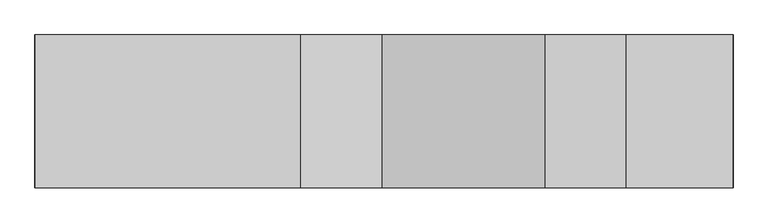
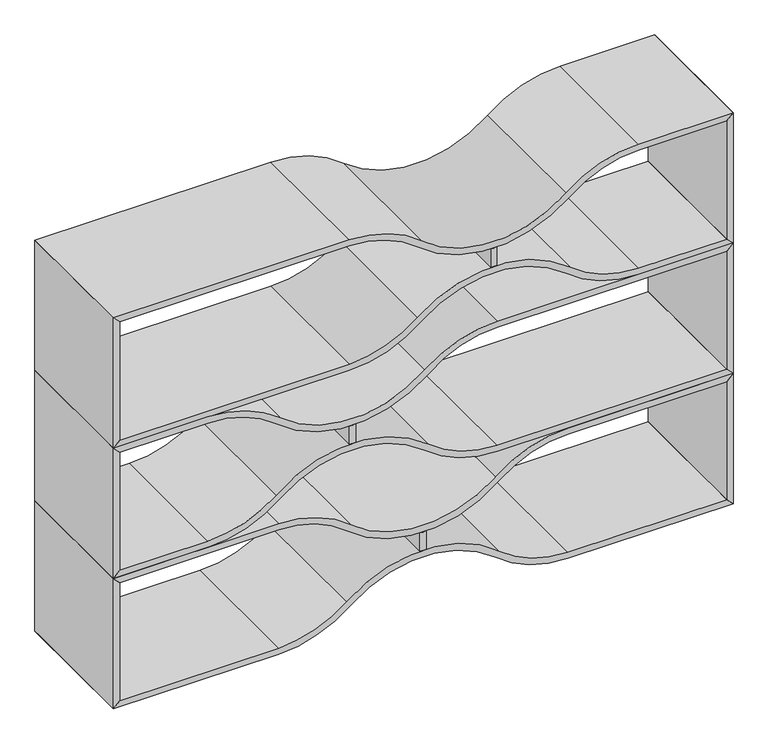
"""IFC4 building model written with IfcOpenShell, lengths in millimetres: furniture geometry."""

from ifc_helpers import new_model, si_unit, point, frame, frame_2d, origin, place, context, project, spatial, polyline, circle_curve, trimmed, segment, composite_curve, outline, extrude, source, transform, mapped, element, save


def furniture_85fba758(model_context):
    return source(origin(), model_context, "Body", "SweptSolid", [
        extrude(outline(composite_curve([segment(polyline([(174.4954536, 923.925), (231.9043041, 923.925)]), True, "CONTINUOUS"), segment(trimmed(circle_curve(frame_2d((294.3304283, 914.4)), 63.1486073), [point((231.9043041, 923.925))], [point((231.9043041, 904.875))], True, "CARTESIAN"), True, "CONTINUOUS"), segment(polyline([(231.9043041, 904.875), (174.4954536, 904.875)]), True, "CONTINUOUS"), segment(trimmed(circle_curve(frame_2d((112.0693295, 914.4)), 63.1486073), [point((174.4954536, 904.875))], [point((174.4954536, 923.925))], True, "CARTESIAN"), True, "CONTINUOUS")], self_intersect=False)), frame((0.0, -400.05, 0.0), z_axis=(0.0, 1.0, 0.0), x_axis=(0.0, 0.0, 1.0)), (0.0, 0.0, 1.0), 400.05),
        extrude(outline(composite_curve([segment(polyline([(-0.0001453, 1828.7603222), (19.0498547, 1809.7103222), (19.0498547, 1341.1225206)]), True, "CONTINUOUS"), segment(trimmed(circle_curve(frame_2d((331.5016284, 1341.1225206)), 312.4517737), [point((19.0498547, 1341.1225206))], [point((92.8601549, 1139.4387135))], True, "CARTESIAN"), True, "CONTINUOUS"), segment(trimmed(circle_curve(frame_2d((-173.4145397, 914.4011569)), 348.6317755), [point((92.8601549, 1139.4387135))], [point((92.3738289, 688.7894152))], False, "CARTESIAN"), True, "CONTINUOUS"), segment(trimmed(circle_curve(frame_2d((331.5016284, 487.6824625)), 312.4517737), [point((92.3738289, 688.7894152))], [point((19.0498547, 487.6824625))], True, "CARTESIAN"), True, "CONTINUOUS"), segment(polyline([(19.0498547, 487.6824625), (19.0498547, 19.05), (-0.0001453, 0.0), (-0.0001453, 487.6824625)]), True, "CONTINUOUS"), segment(trimmed(circle_curve(frame_2d((331.3965629, 487.6824625)), 331.3967082), [point((-0.0001453, 487.6824625))], [point((77.5319561, 700.7001604))], False, "CARTESIAN"), True, "CONTINUOUS"), segment(trimmed(circle_curve(frame_2d((-177.1485648, 914.4024915)), 332.4618084), [point((77.5319561, 700.7001604))], [point((77.5319561, 1128.1048227))], True, "CARTESIAN"), True, "CONTINUOUS"), segment(trimmed(circle_curve(frame_2d((331.3965629, 1341.1225206)), 331.3967082), [point((77.5319561, 1128.1048227))], [point((-0.0001453, 1341.1225206))], False, "CARTESIAN"), True, "CONTINUOUS"), segment(polyline([(-0.0001453, 1341.1225206), (-0.0001453, 1828.7603222)]), True, "CONTINUOUS")], self_intersect=False)), frame((0.0, -400.05, 0.0), z_axis=(0.0, 1.0, 0.0), x_axis=(0.0, 0.0, 1.0)), (0.0, 0.0, 1.0), 400.05),
        extrude(outline(composite_curve([segment(polyline([(406.3999031, 1828.7603222), (406.3999031, 1341.1181604)]), True, "CONTINUOUS"), segment(trimmed(circle_curve(frame_2d((75.0031949, 1341.1181604)), 331.3967082), [point((406.3999031, 1341.1181604))], [point((328.8678017, 1128.1004625))], False, "CARTESIAN"), True, "CONTINUOUS"), segment(trimmed(circle_curve(frame_2d((583.5483226, 914.3981314)), 332.4618084), [point((328.8678017, 1128.1004625))], [point((328.8678017, 700.6958002))], True, "CARTESIAN"), True, "CONTINUOUS"), segment(trimmed(circle_curve(frame_2d((75.0031949, 487.6781023)), 331.3967082), [point((328.8678017, 700.6958002))], [point((406.3999031, 487.6781023))], False, "CARTESIAN"), True, "CONTINUOUS"), segment(polyline([(406.3999031, 487.6781023), (406.3999031, 0.0), (387.3499031, 19.05), (387.3499031, 487.6781023)]), True, "CONTINUOUS"), segment(trimmed(circle_curve(frame_2d((74.8981294, 487.6781023)), 312.4517737), [point((387.3499031, 487.6781023))], [point((314.0259289, 688.785055))], True, "CARTESIAN"), True, "CONTINUOUS"), segment(trimmed(circle_curve(frame_2d((579.8142974, 914.3967967)), 348.6317755), [point((314.0259289, 688.785055))], [point((313.5396029, 1139.4343534))], False, "CARTESIAN"), True, "CONTINUOUS"), segment(trimmed(circle_curve(frame_2d((74.8981294, 1341.1181604)), 312.4517737), [point((313.5396029, 1139.4343534))], [point((387.3499031, 1341.1181604))], True, "CARTESIAN"), True, "CONTINUOUS"), segment(polyline([(387.3499031, 1341.1181604), (387.3499031, 1809.7103222), (406.3999031, 1828.7603222)]), True, "CONTINUOUS")], self_intersect=False)), frame((0.0, -400.05, 0.0), z_axis=(0.0, 1.0, 0.0), x_axis=(0.0, 0.0, 1.0)), (0.0, 0.0, 1.0), 400.05),
        extrude(outline(polyline([(387.3499031, 1809.75), (19.0498547, 1809.75), (-0.0001453, 1828.8), (406.3999031, 1828.8), (387.3499031, 1809.75)])), frame((0.0, -400.05, 0.0), z_axis=(0.0, 1.0, 0.0), x_axis=(0.0, 0.0, 1.0)), (0.0, 0.0, 1.0), 400.05),
        extrude(outline(polyline([(387.3499031, 19.05), (406.3999031, 0.0), (-0.0001453, 0.0), (19.0498547, 19.05), (387.3499031, 19.05)])), frame((0.0, -400.05, 0.0), z_axis=(0.0, 1.0, 0.0), x_axis=(0.0, 0.0, 1.0)), (0.0, 0.0, 1.0), 400.05),
        extrude(outline(composite_curve([segment(polyline([(580.8955021, 715.6053028), (638.3043526, 715.6053028)]), True, "CONTINUOUS"), segment(trimmed(circle_curve(frame_2d((700.7304767, 706.0803028)), 63.1486073), [point((638.3043526, 715.6053028))], [point((638.3043526, 696.5553028))], True, "CARTESIAN"), True, "CONTINUOUS"), segment(polyline([(638.3043526, 696.5553028), (580.8955021, 696.5553028)]), True, "CONTINUOUS"), segment(trimmed(circle_curve(frame_2d((518.4693779, 706.0803028)), 63.1486073), [point((580.8955021, 696.5553028))], [point((580.8955021, 715.6053028))], True, "CARTESIAN"), True, "CONTINUOUS")], self_intersect=False)), frame((0.0, -400.05, 0.0), z_axis=(0.0, 1.0, 0.0), x_axis=(0.0, 0.0, 1.0)), (0.0, 0.0, 1.0), 400.05),
        extrude(outline(composite_curve([segment(polyline([(406.3999031, 1828.7603222), (425.4499031, 1809.7103222), (425.4499031, 1132.8400097)]), True, "CONTINUOUS"), segment(trimmed(circle_curve(frame_2d((737.9016768, 1132.8400097)), 312.4517737), [point((425.4499031, 1132.8400097))], [point((499.2602033, 931.1562026))], True, "CARTESIAN"), True, "CONTINUOUS"), segment(trimmed(circle_curve(frame_2d((232.9855088, 706.118646)), 348.6317755), [point((499.2602033, 931.1562026))], [point((498.7738774, 480.5069043))], False, "CARTESIAN"), True, "CONTINUOUS"), segment(trimmed(circle_curve(frame_2d((737.9016768, 279.3999516)), 312.4517737), [point((498.7738774, 480.5069043))], [point((425.4499031, 279.3999516))], True, "CARTESIAN"), True, "CONTINUOUS"), segment(polyline([(425.4499031, 279.3999516), (425.4499031, 19.05), (406.3999031, 0.0), (406.3999031, 279.3999516)]), True, "CONTINUOUS"), segment(trimmed(circle_curve(frame_2d((737.7966113, 279.3999516)), 331.3967082), [point((406.3999031, 279.3999516))], [point((483.9320045, 492.4176495))], False, "CARTESIAN"), True, "CONTINUOUS"), segment(trimmed(circle_curve(frame_2d((229.2514836, 706.1199806)), 332.4618084), [point((483.9320045, 492.4176495))], [point((483.9320045, 919.8223118))], True, "CARTESIAN"), True, "CONTINUOUS"), segment(trimmed(circle_curve(frame_2d((737.7966113, 1132.8400097)), 331.3967082), [point((483.9320045, 919.8223118))], [point((406.3999031, 1132.8400097))], False, "CARTESIAN"), True, "CONTINUOUS"), segment(polyline([(406.3999031, 1132.8400097), (406.3999031, 1828.7603222)]), True, "CONTINUOUS")], self_intersect=False)), frame((0.0, -400.05, 0.0), z_axis=(0.0, 1.0, 0.0), x_axis=(0.0, 0.0, 1.0)), (0.0, 0.0, 1.0), 400.05),
        extrude(outline(composite_curve([segment(polyline([(812.7999516, 1828.7603222), (812.7999516, 1132.8400097)]), True, "CONTINUOUS"), segment(trimmed(circle_curve(frame_2d((481.4032433, 1132.8400097)), 331.3967082), [point((812.7999516, 1132.8400097))], [point((735.2678501, 919.8223118))], False, "CARTESIAN"), True, "CONTINUOUS"), segment(trimmed(circle_curve(frame_2d((989.948371, 706.1199806)), 332.4618084), [point((735.2678501, 919.8223118))], [point((735.2678501, 492.4176495))], True, "CARTESIAN"), True, "CONTINUOUS"), segment(trimmed(circle_curve(frame_2d((481.4032433, 279.3999516)), 331.3967082), [point((735.2678501, 492.4176495))], [point((812.7999516, 279.3999516))], False, "CARTESIAN"), True, "CONTINUOUS"), segment(polyline([(812.7999516, 279.3999516), (812.7999516, 0.0), (793.7499516, 19.05), (793.7499516, 279.3999516)]), True, "CONTINUOUS"), segment(trimmed(circle_curve(frame_2d((481.2981778, 279.3999516)), 312.4517737), [point((793.7499516, 279.3999516))], [point((720.4259773, 480.5069043))], True, "CARTESIAN"), True, "CONTINUOUS"), segment(trimmed(circle_curve(frame_2d((986.2143459, 706.118646)), 348.6317755), [point((720.4259773, 480.5069043))], [point((719.9396513, 931.1562026))], False, "CARTESIAN"), True, "CONTINUOUS"), segment(trimmed(circle_curve(frame_2d((481.2981778, 1132.8400097)), 312.4517737), [point((719.9396513, 931.1562026))], [point((793.7499516, 1132.8400097))], True, "CARTESIAN"), True, "CONTINUOUS"), segment(polyline([(793.7499516, 1132.8400097), (793.7499516, 1809.7103222), (812.7999516, 1828.7603222)]), True, "CONTINUOUS")], self_intersect=False)), frame((0.0, -400.05, 0.0), z_axis=(0.0, 1.0, 0.0), x_axis=(0.0, 0.0, 1.0)), (0.0, 0.0, 1.0), 400.05),
        extrude(outline(polyline([(793.7499516, 1809.75), (425.4499031, 1809.75), (406.3999031, 1828.8), (812.7999516, 1828.8), (793.7499516, 1809.75)])), frame((0.0, -400.05, 0.0), z_axis=(0.0, 1.0, 0.0), x_axis=(0.0, 0.0, 1.0)), (0.0, 0.0, 1.0), 400.05),
        extrude(outline(polyline([(793.7499516, 19.05), (812.7999516, 0.0), (406.3999031, 0.0), (425.4499031, 19.05), (793.7499516, 19.05)])), frame((0.0, -400.05, 0.0), z_axis=(0.0, 1.0, 0.0), x_axis=(0.0, 0.0, 1.0)), (0.0, 0.0, 1.0), 400.05),
        extrude(outline(composite_curve([segment(trimmed(circle_curve(frame_2d((924.8694264, 1122.6800194)), 63.1486073), [point((987.2955505, 1113.1550194))], [point((987.2955505, 1132.2050194))], True, "CARTESIAN"), True, "CONTINUOUS"), segment(polyline([(987.2955505, 1132.2050194), (1044.704401, 1132.2050194)]), True, "CONTINUOUS"), segment(trimmed(circle_curve(frame_2d((1107.1305252, 1122.6800194)), 63.1486073), [point((1044.704401, 1132.2050194))], [point((1044.704401, 1113.1550194))], True, "CARTESIAN"), True, "CONTINUOUS"), segment(polyline([(1044.704401, 1113.1550194), (987.2955505, 1113.1550194)]), True, "CONTINUOUS")], self_intersect=False)), frame((0.0, -400.05, 0.0), z_axis=(0.0, 1.0, 0.0), x_axis=(0.0, 0.0, 1.0)), (0.0, 0.0, 1.0), 400.05),
        extrude(outline(polyline([(1200.15, 1809.75), (831.8499516, 1809.75), (812.7999516, 1828.8), (1219.2, 1828.8), (1200.15, 1809.75)])), frame((0.0, -400.05, 0.0), z_axis=(0.0, 1.0, 0.0), x_axis=(0.0, 0.0, 1.0)), (0.0, 0.0, 1.0), 400.05),
        extrude(outline(polyline([(1200.15, 19.05), (1219.2, 0.0), (812.7999516, 0.0), (831.8499516, 19.05), (1200.15, 19.05)])), frame((0.0, -400.05, 0.0), z_axis=(0.0, 1.0, 0.0), x_axis=(0.0, 0.0, 1.0)), (0.0, 0.0, 1.0), 400.05),
        extrude(outline(composite_curve([segment(polyline([(812.7999516, 0.0), (812.7999516, 695.9203125)]), True, "CONTINUOUS"), segment(trimmed(circle_curve(frame_2d((1144.1966598, 695.9203125)), 331.3967082), [point((812.7999516, 695.9203125))], [point((890.332053, 908.9380104))], False, "CARTESIAN"), True, "CONTINUOUS"), segment(trimmed(circle_curve(frame_2d((635.6515321, 1122.6403416)), 332.4618084), [point((890.332053, 908.9380104))], [point((890.332053, 1336.3426727))], True, "CARTESIAN"), True, "CONTINUOUS"), segment(trimmed(circle_curve(frame_2d((1144.1966598, 1549.3603706)), 331.3967082), [point((890.332053, 1336.3426727))], [point((812.7999516, 1549.3603706))], False, "CARTESIAN"), True, "CONTINUOUS"), segment(polyline([(812.7999516, 1549.3603706), (812.7999516, 1828.7603222), (831.8499516, 1809.7103222), (831.8499516, 1549.3603706)]), True, "CONTINUOUS"), segment(trimmed(circle_curve(frame_2d((1144.3017253, 1549.3603706)), 312.4517737), [point((831.8499516, 1549.3603706))], [point((905.1739258, 1348.2534179))], True, "CARTESIAN"), True, "CONTINUOUS"), segment(trimmed(circle_curve(frame_2d((639.3855572, 1122.6416762)), 348.6317755), [point((905.1739258, 1348.2534179))], [point((905.6602518, 897.6041196))], False, "CARTESIAN"), True, "CONTINUOUS"), segment(trimmed(circle_curve(frame_2d((1144.3017253, 695.9203125)), 312.4517737), [point((905.6602518, 897.6041196))], [point((831.8499516, 695.9203125))], True, "CARTESIAN"), True, "CONTINUOUS"), segment(polyline([(831.8499516, 695.9203125), (831.8499516, 19.05), (812.7999516, 0.0)]), True, "CONTINUOUS")], self_intersect=False)), frame((0.0, -400.05, 0.0), z_axis=(0.0, 1.0, 0.0), x_axis=(0.0, 0.0, 1.0)), (0.0, 0.0, 1.0), 400.05),
        extrude(outline(composite_curve([segment(polyline([(1219.2, 0.0), (1200.15, 19.05), (1200.15, 695.9203125)]), True, "CONTINUOUS"), segment(trimmed(circle_curve(frame_2d((887.6982263, 695.9203125)), 312.4517737), [point((1200.15, 695.9203125))], [point((1126.3396998, 897.6041196))], True, "CARTESIAN"), True, "CONTINUOUS"), segment(trimmed(circle_curve(frame_2d((1392.6143943, 1122.6416762)), 348.6317755), [point((1126.3396998, 897.6041196))], [point((1126.8260258, 1348.253418))], False, "CARTESIAN"), True, "CONTINUOUS"), segment(trimmed(circle_curve(frame_2d((887.6982263, 1549.3603706)), 312.4517737), [point((1126.8260258, 1348.253418))], [point((1200.15, 1549.3603706))], True, "CARTESIAN"), True, "CONTINUOUS"), segment(polyline([(1200.15, 1549.3603706), (1200.15, 1809.7103222), (1219.2, 1828.7603222), (1219.2, 1549.3603706)]), True, "CONTINUOUS"), segment(trimmed(circle_curve(frame_2d((887.8032918, 1549.3603706)), 331.3967082), [point((1219.2, 1549.3603706))], [point((1141.6678986, 1336.3426727))], False, "CARTESIAN"), True, "CONTINUOUS"), segment(trimmed(circle_curve(frame_2d((1396.3484195, 1122.6403416)), 332.4618084), [point((1141.6678986, 1336.3426727))], [point((1141.6678986, 908.9380104))], True, "CARTESIAN"), True, "CONTINUOUS"), segment(trimmed(circle_curve(frame_2d((887.8032918, 695.9203125)), 331.3967082), [point((1141.6678986, 908.9380104))], [point((1219.2, 695.9203125))], False, "CARTESIAN"), True, "CONTINUOUS"), segment(polyline([(1219.2, 695.9203125), (1219.2, 0.0)]), True, "CONTINUOUS")], self_intersect=False)), frame((0.0, -400.05, 0.0), z_axis=(0.0, 1.0, 0.0), x_axis=(0.0, 0.0, 1.0)), (0.0, 0.0, 1.0), 400.05),
    ])


if __name__ == "__main__":
    model = new_model("IFC4")
    model_context = context("Model", 3, world=origin())
    ifc_project = project(units=[si_unit("LENGTHUNIT", "METRE", prefix="MILLI")], contexts=[model_context])
    site = spatial("IfcSite", under=ifc_project)
    building = spatial("IfcBuilding", under=site)
    placement = place(None, origin())
    furniture_shape = furniture_85fba758(model_context)
    element("IfcFurniture", 1, at=placement, inside=building, context=model_context, shape_type="MappedRepresentation", body=[
        mapped(furniture_shape, transform((0.0, 0.0, 0.0), x_axis=(1.0, 0.0, 0.0), y_axis=(0.0, 1.0, 0.0), z_axis=(0.0, 0.0, 1.0))),
    ])
    save(model, "model.ifc")
